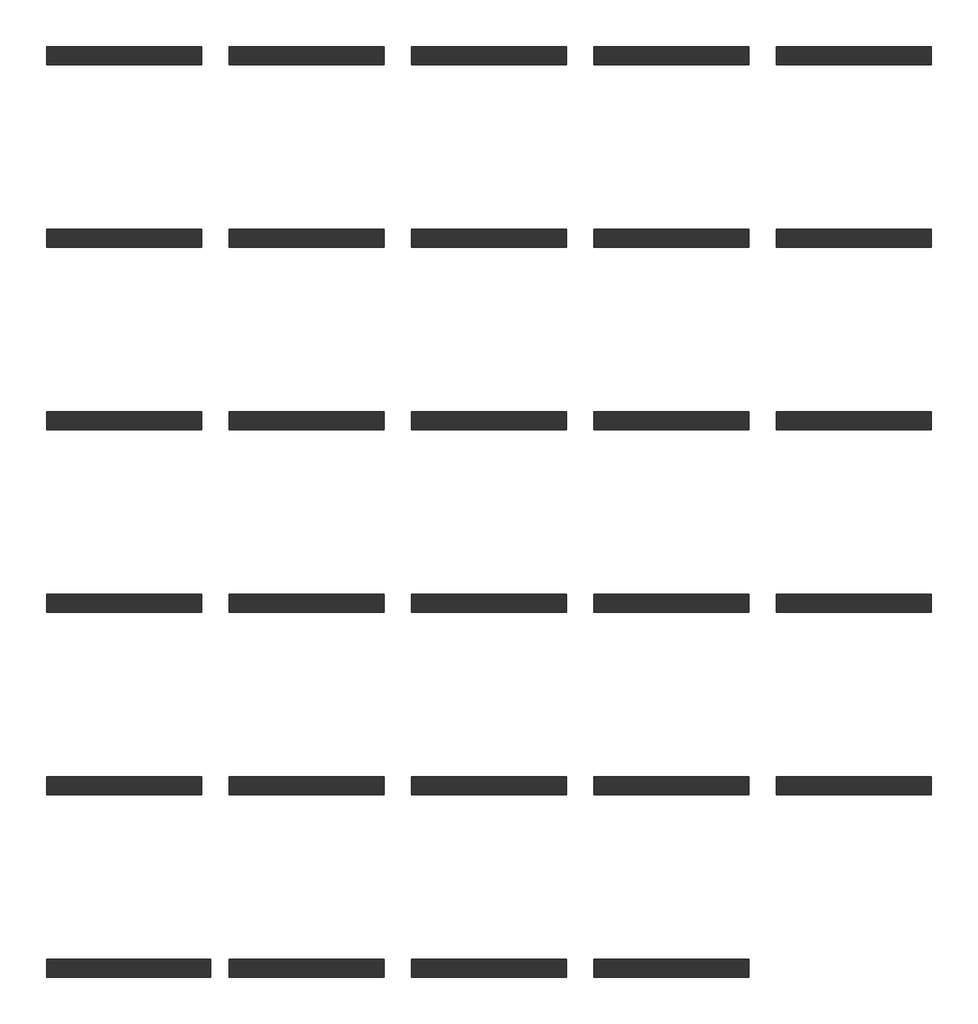
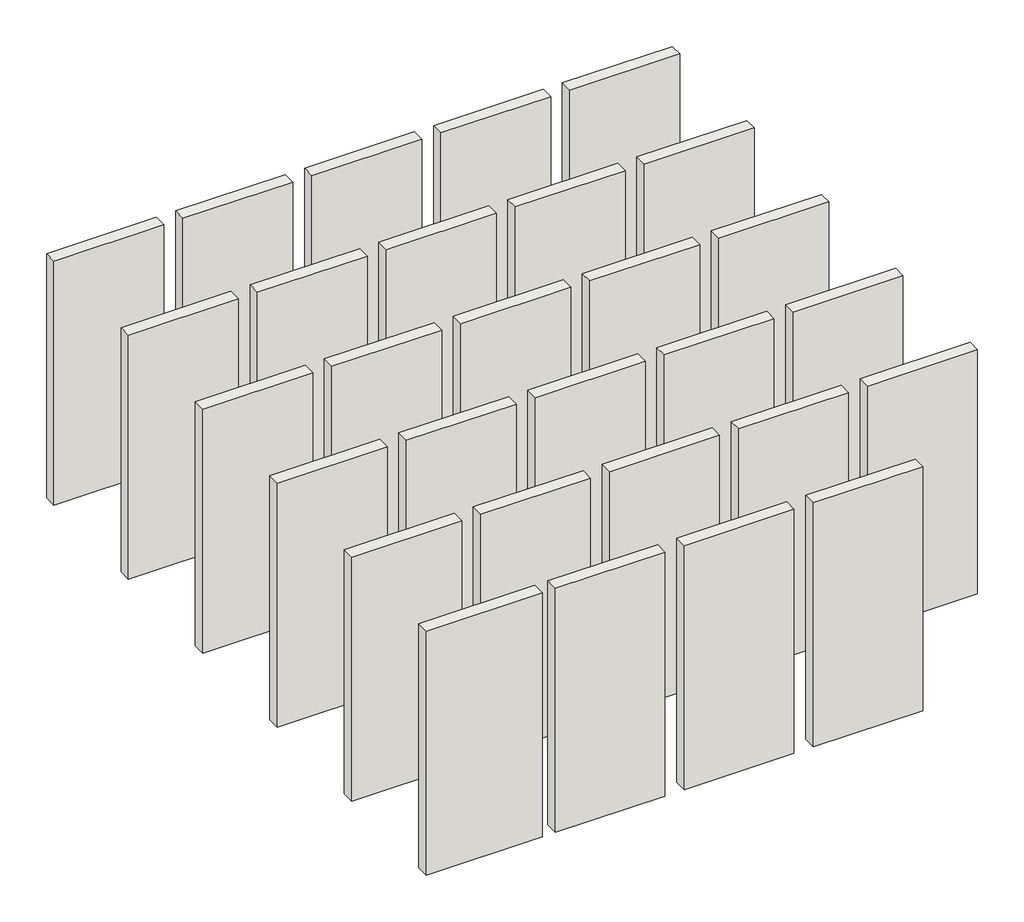
# One storey: 29 walls.
"""IFC4 building model written with IfcOpenShell, lengths in millimetres."""

from ifc_helpers import new_model, si_unit, origin, origin_with_axes, place, context, project, spatial, polyline, outline, extrude, element, save

model = new_model("IFC4")

# Units and contexts
model_context = context("Model", 3, world=origin())
ifc_project = project(units=[si_unit("LENGTHUNIT", "METRE", prefix="MILLI")], contexts=[model_context])

# Site, building, storey
site = spatial("IfcSite", under=ifc_project)
building = spatial("IfcBuilding", under=site)
storey = spatial("IfcBuildingStorey", under=building, Elevation=0.0)

# Walls
placement = place(None, origin())
element("IfcWall", 1, at=placement, inside=storey, context=model_context, shape_type="SweptSolid", body=[
    extrude(outline(polyline([(1952.7816412, 1631.2239221), (252.7816412, 1631.2239221), (252.7816412, 1831.2239221), (1952.7816412, 1831.2239221), (1952.7816412, 1631.2239221)])), origin_with_axes(), (0.0, 0.0, 1.0), 4000.0),
])
element("IfcWall", 2, at=placement, inside=storey, context=model_context, shape_type="SweptSolid", body=[
    extrude(outline(polyline([(3952.7816412, 1631.2239221), (2252.7816412, 1631.2239221), (2252.7816412, 1831.2239221), (3952.7816412, 1831.2239221), (3952.7816412, 1631.2239221)])), origin_with_axes(), (0.0, 0.0, 1.0), 4000.0),
])
element("IfcWall", 3, at=placement, inside=storey, context=model_context, shape_type="SweptSolid", body=[
    extrude(outline(polyline([(5952.7816412, 1631.2239221), (4252.7816412, 1631.2239221), (4252.7816412, 1831.2239221), (5952.7816412, 1831.2239221), (5952.7816412, 1631.2239221)])), origin_with_axes(), (0.0, 0.0, 1.0), 4000.0),
])
element("IfcWall", 4, at=placement, inside=storey, context=model_context, shape_type="SweptSolid", body=[
    extrude(outline(polyline([(7952.7816412, 1631.2239221), (6252.7816412, 1631.2239221), (6252.7816412, 1831.2239221), (7952.7816412, 1831.2239221), (7952.7816412, 1631.2239221)])), origin_with_axes(), (0.0, 0.0, 1.0), 4000.0),
])
element("IfcWall", 5, at=placement, inside=storey, context=model_context, shape_type="SweptSolid", body=[
    extrude(outline(polyline([(9952.7816412, 1631.2239221), (8252.7816412, 1631.2239221), (8252.7816412, 1831.2239221), (9952.7816412, 1831.2239221), (9952.7816412, 1631.2239221)])), origin_with_axes(), (0.0, 0.0, 1.0), 4000.0),
])
element("IfcWall", 6, at=placement, inside=storey, context=model_context, shape_type="SweptSolid", body=[
    extrude(outline(polyline([(1952.7816412, -368.7760779), (252.7816412, -368.7760779), (252.7816412, -168.7760779), (1952.7816412, -168.7760779), (1952.7816412, -368.7760779)])), origin_with_axes(), (0.0, 0.0, 1.0), 4000.0),
])
element("IfcWall", 7, at=placement, inside=storey, context=model_context, shape_type="SweptSolid", body=[
    extrude(outline(polyline([(3952.7816412, -368.7760779), (2252.7816412, -368.7760779), (2252.7816412, -168.7760779), (3952.7816412, -168.7760779), (3952.7816412, -368.7760779)])), origin_with_axes(), (0.0, 0.0, 1.0), 4000.0),
])
element("IfcWall", 8, at=placement, inside=storey, context=model_context, shape_type="SweptSolid", body=[
    extrude(outline(polyline([(5952.7816412, -368.7760779), (4252.7816412, -368.7760779), (4252.7816412, -168.7760779), (5952.7816412, -168.7760779), (5952.7816412, -368.7760779)])), origin_with_axes(), (0.0, 0.0, 1.0), 4000.0),
])
element("IfcWall", 9, at=placement, inside=storey, context=model_context, shape_type="SweptSolid", body=[
    extrude(outline(polyline([(7952.7816412, -368.7760779), (6252.7816412, -368.7760779), (6252.7816412, -168.7760779), (7952.7816412, -168.7760779), (7952.7816412, -368.7760779)])), origin_with_axes(), (0.0, 0.0, 1.0), 4000.0),
])
element("IfcWall", 10, at=placement, inside=storey, context=model_context, shape_type="SweptSolid", body=[
    extrude(outline(polyline([(9952.7816412, -368.7760779), (8252.7816412, -368.7760779), (8252.7816412, -168.7760779), (9952.7816412, -168.7760779), (9952.7816412, -368.7760779)])), origin_with_axes(), (0.0, 0.0, 1.0), 4000.0),
])
element("IfcWall", 11, at=placement, inside=storey, context=model_context, shape_type="SweptSolid", body=[
    extrude(outline(polyline([(1952.7816412, -2368.7760779), (252.7816412, -2368.7760779), (252.7816412, -2168.7760779), (1952.7816412, -2168.7760779), (1952.7816412, -2368.7760779)])), origin_with_axes(), (0.0, 0.0, 1.0), 4000.0),
])
element("IfcWall", 12, at=placement, inside=storey, context=model_context, shape_type="SweptSolid", body=[
    extrude(outline(polyline([(3952.7816412, -2368.7760779), (2252.7816412, -2368.7760779), (2252.7816412, -2168.7760779), (3952.7816412, -2168.7760779), (3952.7816412, -2368.7760779)])), origin_with_axes(), (0.0, 0.0, 1.0), 4000.0),
])
element("IfcWall", 13, at=placement, inside=storey, context=model_context, shape_type="SweptSolid", body=[
    extrude(outline(polyline([(5952.7816412, -2368.7760779), (4252.7816412, -2368.7760779), (4252.7816412, -2168.7760779), (5952.7816412, -2168.7760779), (5952.7816412, -2368.7760779)])), origin_with_axes(), (0.0, 0.0, 1.0), 4000.0),
])
element("IfcWall", 14, at=placement, inside=storey, context=model_context, shape_type="SweptSolid", body=[
    extrude(outline(polyline([(7952.7816412, -2368.7760779), (6252.7816412, -2368.7760779), (6252.7816412, -2168.7760779), (7952.7816412, -2168.7760779), (7952.7816412, -2368.7760779)])), origin_with_axes(), (0.0, 0.0, 1.0), 4000.0),
])
element("IfcWall", 15, at=placement, inside=storey, context=model_context, shape_type="SweptSolid", body=[
    extrude(outline(polyline([(9952.7816412, -2368.7760779), (8252.7816412, -2368.7760779), (8252.7816412, -2168.7760779), (9952.7816412, -2168.7760779), (9952.7816412, -2368.7760779)])), origin_with_axes(), (0.0, 0.0, 1.0), 4000.0),
])
element("IfcWall", 16, at=placement, inside=storey, context=model_context, shape_type="SweptSolid", body=[
    extrude(outline(polyline([(1952.7816412, -4368.7760779), (252.7816412, -4368.7760779), (252.7816412, -4168.7760779), (1952.7816412, -4168.7760779), (1952.7816412, -4368.7760779)])), origin_with_axes(), (0.0, 0.0, 1.0), 4000.0),
])
element("IfcWall", 17, at=placement, inside=storey, context=model_context, shape_type="SweptSolid", body=[
    extrude(outline(polyline([(3952.7816412, -4368.7760779), (2252.7816412, -4368.7760779), (2252.7816412, -4168.7760779), (3952.7816412, -4168.7760779), (3952.7816412, -4368.7760779)])), origin_with_axes(), (0.0, 0.0, 1.0), 4000.0),
])
element("IfcWall", 18, at=placement, inside=storey, context=model_context, shape_type="SweptSolid", body=[
    extrude(outline(polyline([(5952.7816412, -4368.7760779), (4252.7816412, -4368.7760779), (4252.7816412, -4168.7760779), (5952.7816412, -4168.7760779), (5952.7816412, -4368.7760779)])), origin_with_axes(), (0.0, 0.0, 1.0), 4000.0),
])
element("IfcWall", 19, at=placement, inside=storey, context=model_context, shape_type="SweptSolid", body=[
    extrude(outline(polyline([(7952.7816412, -4368.7760779), (6252.7816412, -4368.7760779), (6252.7816412, -4168.7760779), (7952.7816412, -4168.7760779), (7952.7816412, -4368.7760779)])), origin_with_axes(), (0.0, 0.0, 1.0), 4000.0),
])
element("IfcWall", 20, at=placement, inside=storey, context=model_context, shape_type="SweptSolid", body=[
    extrude(outline(polyline([(9952.7816412, -4368.7760779), (8252.7816412, -4368.7760779), (8252.7816412, -4168.7760779), (9952.7816412, -4168.7760779), (9952.7816412, -4368.7760779)])), origin_with_axes(), (0.0, 0.0, 1.0), 4000.0),
])
element("IfcWall", 21, at=placement, inside=storey, context=model_context, shape_type="SweptSolid", body=[
    extrude(outline(polyline([(1952.7816412, -6368.7760779), (252.7816412, -6368.7760779), (252.7816412, -6168.7760779), (1952.7816412, -6168.7760779), (1952.7816412, -6368.7760779)])), origin_with_axes(), (0.0, 0.0, 1.0), 4000.0),
])
element("IfcWall", 22, at=placement, inside=storey, context=model_context, shape_type="SweptSolid", body=[
    extrude(outline(polyline([(3952.7816412, -6368.7760779), (2252.7816412, -6368.7760779), (2252.7816412, -6168.7760779), (3952.7816412, -6168.7760779), (3952.7816412, -6368.7760779)])), origin_with_axes(), (0.0, 0.0, 1.0), 4000.0),
])
element("IfcWall", 23, at=placement, inside=storey, context=model_context, shape_type="SweptSolid", body=[
    extrude(outline(polyline([(5952.7816412, -6368.7760779), (4252.7816412, -6368.7760779), (4252.7816412, -6168.7760779), (5952.7816412, -6168.7760779), (5952.7816412, -6368.7760779)])), origin_with_axes(), (0.0, 0.0, 1.0), 4000.0),
])
element("IfcWall", 24, at=placement, inside=storey, context=model_context, shape_type="SweptSolid", body=[
    extrude(outline(polyline([(7952.7816412, -6368.7760779), (6252.7816412, -6368.7760779), (6252.7816412, -6168.7760779), (7952.7816412, -6168.7760779), (7952.7816412, -6368.7760779)])), origin_with_axes(), (0.0, 0.0, 1.0), 4000.0),
])
element("IfcWall", 25, at=placement, inside=storey, context=model_context, shape_type="SweptSolid", body=[
    extrude(outline(polyline([(9952.7816412, -6368.7760779), (8252.7816412, -6368.7760779), (8252.7816412, -6168.7760779), (9952.7816412, -6168.7760779), (9952.7816412, -6368.7760779)])), origin_with_axes(), (0.0, 0.0, 1.0), 4000.0),
])
element("IfcWall", 26, at=placement, inside=storey, context=model_context, shape_type="SweptSolid", body=[
    extrude(outline(polyline([(7952.7816412, -8368.7760779), (6252.7816412, -8368.7760779), (6252.7816412, -8168.7760779), (7952.7816412, -8168.7760779), (7952.7816412, -8368.7760779)])), origin_with_axes(), (0.0, 0.0, 1.0), 4000.0),
])
element("IfcWall", 27, at=placement, inside=storey, context=model_context, shape_type="SweptSolid", body=[
    extrude(outline(polyline([(5952.7816412, -8368.7760779), (4252.7816412, -8368.7760779), (4252.7816412, -8168.7760779), (5952.7816412, -8168.7760779), (5952.7816412, -8368.7760779)])), origin_with_axes(), (0.0, 0.0, 1.0), 4000.0),
])
element("IfcWall", 28, at=placement, inside=storey, context=model_context, shape_type="SweptSolid", body=[
    extrude(outline(polyline([(3952.7816412, -8368.7760779), (2252.7816412, -8368.7760779), (2252.7816412, -8168.7760779), (3952.7816412, -8168.7760779), (3952.7816412, -8368.7760779)])), origin_with_axes(), (0.0, 0.0, 1.0), 4000.0),
])
element("IfcWall", 29, at=placement, inside=storey, context=model_context, shape_type="SweptSolid", body=[
    extrude(outline(polyline([(2052.7816412, -8368.7760779), (252.7816412, -8368.7760779), (252.7816412, -8168.7760779), (2052.7816412, -8168.7760779), (2052.7816412, -8368.7760779)])), origin_with_axes(), (0.0, 0.0, 1.0), 4000.0),
])

save(model, "model.ifc")
